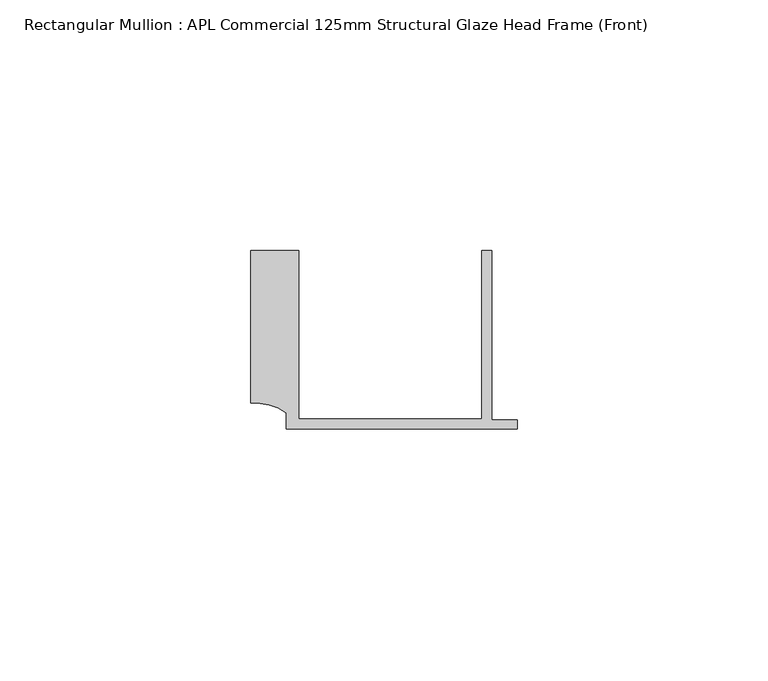
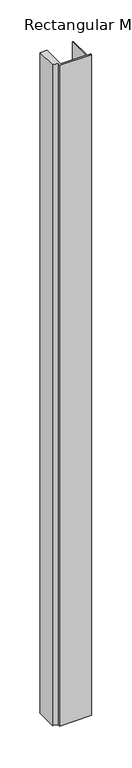
"""IFC4 building model written with IfcOpenShell, lengths in millimetres: member geometry, Rectangular Mullion : APL Commercial 125mm Structural Glaze Head Frame (Front)."""

from ifc_helpers import new_model, si_unit, point, frame, frame_2d, origin, place, context, project, spatial, polyline, circle_curve, trimmed, segment, composite_curve, outline, extrude, source, transform, mapped, element, save


def rectangular_mullion_apl_commercial_125mm_structural_glaze_b604e3c3(model_context):
    return source(origin(), model_context, "Body", "SweptSolid", [
        extrude(outline(composite_curve([segment(polyline([(-52.9999542, 15.0), (-43.5000151, 15.0), (-43.5000151, -18.5002486), (-7.0, -18.5002486), (-7.0, 15.0), (-5.0, 15.0), (-5.0, -18.7002486), (0.0, -18.7002486), (0.0, -20.5002486), (-45.9999994, -20.5002486), (-45.9999994, -17.3126154)]), True, "CONTINUOUS"), segment(trimmed(circle_curve(frame_2d((-52.109817, -25.7982641)), 10.4563907), [point((-45.9999994, -17.3126154))], [point((-52.9999542, -15.3798304))], True, "CARTESIAN"), True, "CONTINUOUS"), segment(polyline([(-52.9999542, -15.3798304), (-52.9999542, 15.0)]), True, "CONTINUOUS")], self_intersect=False)), frame((0.0, 0.0, -999.041864), z_axis=(0.0, 0.0, 1.0), x_axis=(1.0, 0.0, 0.0)), (0.0, 0.0, 1.0), 999.041864),
    ])


if __name__ == "__main__":
    model = new_model("IFC4")
    model_context = context("Model", 3, world=origin())
    ifc_project = project(units=[si_unit("LENGTHUNIT", "METRE", prefix="MILLI")], contexts=[model_context])
    site = spatial("IfcSite", under=ifc_project)
    building = spatial("IfcBuilding", under=site)
    placement = place(None, origin())
    rectangular_mullion_apl_commercial_125mm_structural_glaze_shape = rectangular_mullion_apl_commercial_125mm_structural_glaze_b604e3c3(model_context)
    element("IfcMember", 1, ObjectType="Rectangular Mullion : APL Commercial 125mm Structural Glaze Head Frame (Front)", at=placement, inside=building, context=model_context, shape_type="MappedRepresentation", body=[
        mapped(rectangular_mullion_apl_commercial_125mm_structural_glaze_shape, transform((0.0, 0.0, 0.0), x_axis=(1.0, 0.0, 0.0), y_axis=(0.0, 1.0, 0.0), z_axis=(0.0, 0.0, 1.0))),
    ])
    save(model, "model.ifc")
